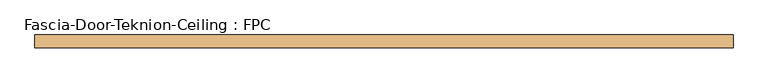
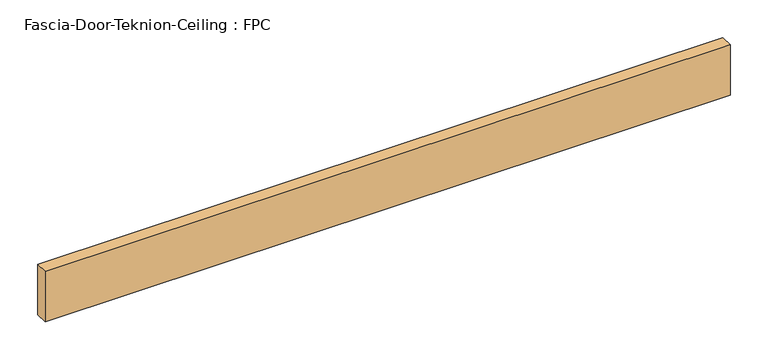
"""IFC4 building model written with IfcOpenShell, lengths in millimetres: door geometry, Fascia-Door-Teknion-Ceiling : FPC."""

from ifc_helpers import new_model, si_unit, origin, origin_with_axes, place, context, project, spatial, polyline, outline, extrude, source, transform, mapped, element, save


def fascia_door_teknion_ceiling_fpc_4a164c3f(model_context):
    return source(origin(), model_context, "Body", "SweptSolid", [
        extrude(outline(polyline([(523.2356344, 0.0), (-523.2356344, 0.0), (-523.2356344, 19.05), (523.2356344, 19.05), (523.2356344, 0.0)])), origin_with_axes(), (0.0, 0.0, 1.0), 81.28),
    ])


if __name__ == "__main__":
    model = new_model("IFC4")
    model_context = context("Model", 3, world=origin())
    ifc_project = project(units=[si_unit("LENGTHUNIT", "METRE", prefix="MILLI")], contexts=[model_context])
    site = spatial("IfcSite", under=ifc_project)
    building = spatial("IfcBuilding", under=site)
    placement = place(None, origin())
    fascia_door_teknion_ceiling_fpc_shape = fascia_door_teknion_ceiling_fpc_4a164c3f(model_context)
    element("IfcDoor", 1, ObjectType="Fascia-Door-Teknion-Ceiling : FPC", at=placement, inside=building, context=model_context, shape_type="MappedRepresentation", body=[
        mapped(fascia_door_teknion_ceiling_fpc_shape, transform((0.0, 0.0, 0.0), x_axis=(1.0, 0.0, 0.0), y_axis=(0.0, 1.0, 0.0), z_axis=(0.0, 0.0, 1.0))),
    ])
    save(model, "model.ifc")
